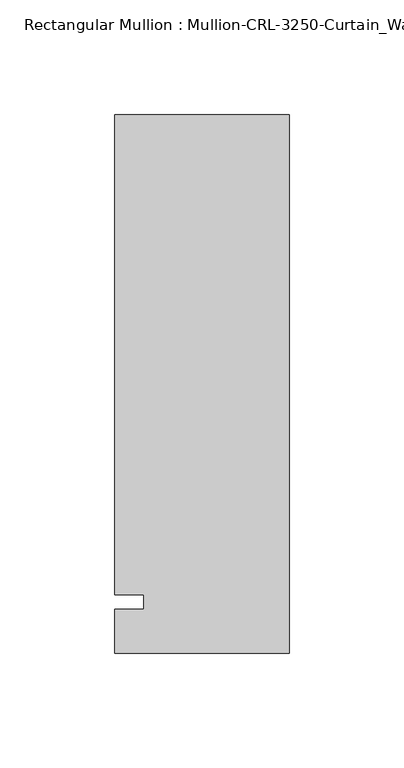
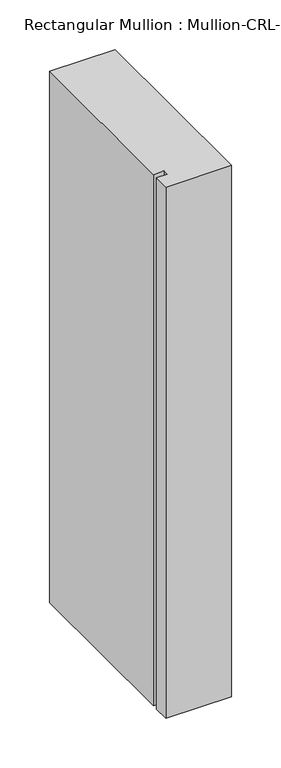
"""IFC4 building model written with IfcOpenShell, lengths in millimetres: member geometry."""

import ifcopenshell
import ifcopenshell.guid

model = None  # the IFC model being written
_history = None  # IfcOwnerHistory: only IFC2X3 demands one
_inside = {}  # id of a spatial element -> (the spatial element, [elements in it])
_under = {}  # id of a project, library or spatial element -> (it, [spatial elements below it])
_declared = {}  # id of a project -> (the project, [libraries it declares])
_typed = {}  # id of a type object -> (the type object, [elements of that type])
_made_of = {}  # id of a material, layer set ... -> (it, [elements and type objects made of it])


def new_model(schema):
    """Start an empty IFC model of exactly this schema.

    Asked for "IFC4X3", IfcOpenShell would pick the latest addendum, in which some entities
    have other attributes; the version numbers below select the first issue.
    IFC2X3 requires an IfcOwnerHistory on every rooted entity: one is made here for all.
    """
    global model, _history
    if schema == "IFC4X3":
        model = ifcopenshell.file(schema_version=(4, 3, 0, 0))
    else:
        model = ifcopenshell.file(schema=schema)
    _inside.clear()
    _under.clear()
    _declared.clear()
    _typed.clear()
    _made_of.clear()
    _history = None
    if model.schema == "IFC2X3":
        org = make("IfcOrganization", Name="unknown")
        user = make(
            "IfcPersonAndOrganization",
            ThePerson=make("IfcPerson", FamilyName="unknown"),
            TheOrganization=org,
        )
        app = make(
            "IfcApplication",
            ApplicationDeveloper=org,
            Version="unknown",
            ApplicationFullName="unknown",
            ApplicationIdentifier="unknown",
        )
        _history = make(
            "IfcOwnerHistory",
            OwningUser=user,
            OwningApplication=app,
            ChangeAction="ADDED",
            CreationDate=0,
        )
    return model


def make(cls, **values):
    """One entity of the class cls with the attributes given. An attribute that is None is left unset."""
    return model.create_entity(
        cls, **{name: value for name, value in values.items() if value is not None}
    )


def rooted(cls, **values):
    """An entity with a GlobalId (a new one), such as an element, a storey or a relation."""
    return make(cls, GlobalId=ifcopenshell.guid.new(), OwnerHistory=_history, **values)


def si_unit(unit_type, name, prefix=None):
    """IfcSIUnit, for example si_unit("LENGTHUNIT", "METRE", prefix="MILLI")."""
    return make("IfcSIUnit", UnitType=unit_type, Prefix=prefix, Name=name)


def assignment(units):
    """IfcUnitAssignment: the units of a project."""
    return None if units is None else make("IfcUnitAssignment", Units=units)


def point(xyz):
    """IfcCartesianPoint."""
    return None if xyz is None else make("IfcCartesianPoint", Coordinates=xyz)


def direction(xyz):
    """IfcDirection."""
    return None if xyz is None else make("IfcDirection", DirectionRatios=xyz)


def frame(location, z_axis=None, x_axis=None):
    """IfcAxis2Placement3D, a coordinate frame: its origin and axes. An axis left out is left unset."""
    return make(
        "IfcAxis2Placement3D",
        Location=point(location),
        Axis=direction(z_axis),
        RefDirection=direction(x_axis),
    )


def origin():
    """The frame at (0, 0, 0) with its axes left unset."""
    return frame((0.0, 0.0, 0.0))


def place(relative_to, where):
    """IfcLocalPlacement: puts the frame where relative to a parent placement (None: the world)."""
    return make(
        "IfcLocalPlacement", PlacementRelTo=relative_to, RelativePlacement=where
    )


def context(
    kind, dimensions, precision=None, world=None, true_north=None, identifier=None
):
    """IfcGeometricRepresentationContext, for example the 3D "Model" context."""
    return make(
        "IfcGeometricRepresentationContext",
        ContextIdentifier=identifier,
        ContextType=kind,
        CoordinateSpaceDimension=dimensions,
        Precision=precision,
        WorldCoordinateSystem=world,
        TrueNorth=true_north,
    )


def project(units=None, contexts=None):
    """IfcProject with its units and contexts."""
    return rooted(
        "IfcProject",
        Name="project",
        RepresentationContexts=contexts,
        UnitsInContext=assignment(units),
    )


def spatial(cls, under=None, at=None, **own):
    """A site, building, storey or space (cls), placed at a placement, below another one or the project."""
    s = rooted(cls, ObjectPlacement=at, **own)
    if under is not None:
        _under.setdefault(under.id(), (under, []))[1].append(s)
    return s


def polyline(points):
    """IfcPolyline through the points."""
    return make("IfcPolyline", Points=[point(p) for p in points])


def outline(outer, holes=None, kind="AREA"):
    """IfcArbitraryClosedProfileDef: a profile drawn as a closed curve; with holes, ...WithVoids."""
    if holes is None:
        return make("IfcArbitraryClosedProfileDef", ProfileType=kind, OuterCurve=outer)
    return make(
        "IfcArbitraryProfileDefWithVoids",
        ProfileType=kind,
        OuterCurve=outer,
        InnerCurves=holes,
    )


def extrude(swept, where, along, depth):
    """IfcExtrudedAreaSolid: the profile swept, set in the frame where, extruded along a direction by depth."""
    return make(
        "IfcExtrudedAreaSolid",
        SweptArea=swept,
        Position=where,
        ExtrudedDirection=direction(along),
        Depth=depth,
    )


def shape(context_of_items, identifier, shape_type, items):
    """IfcShapeRepresentation: the items that make up one representation, for example the "Body"."""
    return make(
        "IfcShapeRepresentation",
        ContextOfItems=context_of_items,
        RepresentationIdentifier=identifier,
        RepresentationType=shape_type,
        Items=items,
    )


def source(mapping_origin, context_of_items, identifier, shape_type, items):
    """IfcRepresentationMap: a shape defined once, which mapped items show again and again."""
    return make(
        "IfcRepresentationMap",
        MappingOrigin=mapping_origin,
        MappedRepresentation=shape(context_of_items, identifier, shape_type, items),
    )


def transform(
    local_origin,
    x_axis=None,
    y_axis=None,
    z_axis=None,
    scale=None,
    scale2=None,
    scale3=None,
    uniform=True,
):
    """IfcCartesianTransformationOperator3D, or its non-uniform kind. x_axis, y_axis, z_axis: its Axis1, 2, 3."""
    if uniform:
        return make(
            "IfcCartesianTransformationOperator3D",
            Axis1=direction(x_axis),
            Axis2=direction(y_axis),
            LocalOrigin=point(local_origin),
            Scale=scale,
            Axis3=direction(z_axis),
        )
    return make(
        "IfcCartesianTransformationOperator3DnonUniform",
        Axis1=direction(x_axis),
        Axis2=direction(y_axis),
        LocalOrigin=point(local_origin),
        Scale=scale,
        Axis3=direction(z_axis),
        Scale2=scale2,
        Scale3=scale3,
    )


def mapped(mapping_source, mapping_target):
    """IfcMappedItem: shows the shape of a source again, moved by a transform."""
    return make(
        "IfcMappedItem", MappingSource=mapping_source, MappingTarget=mapping_target
    )


def made_of(thing, what):
    """Note that an element or type object is made of a material, layer set ...; save() writes the relation."""
    if what is not None:
        _made_of.setdefault(what.id(), (what, []))[1].append(thing)
    return thing


def element(
    cls,
    number,
    at=None,
    inside=None,
    cuts=None,
    type_object=None,
    material=None,
    context=None,
    identifier="Body",
    shape_type=None,
    held_by="IfcProductDefinitionShape",
    body=None,
    shapes=None,
    **own,
):
    """One element of the class cls, such as IfcWall. Its Tag is "e" and its number.

    at: its placement. inside: the storey or other place that contains it. cuts: it is an
    opening in that element (IfcRelVoidsElement). A single representation is given by context,
    identifier, shape_type and body (its items); several are given by shapes. held_by: the class
    of the entity that holds the representations. save() writes the other relations.
    """
    e = rooted(cls, Tag="e%d" % number, ObjectPlacement=at, **own)
    if body is not None:
        shapes = [shape(context, identifier, shape_type, body)]
    if shapes is not None:
        e.Representation = make(held_by, Representations=shapes)
    if inside is not None:
        _inside.setdefault(inside.id(), (inside, []))[1].append(e)
    if cuts is not None:
        rooted(
            "IfcRelVoidsElement", RelatingBuildingElement=cuts, RelatedOpeningElement=e
        )
    if type_object is not None:
        _typed.setdefault(type_object.id(), (type_object, []))[1].append(e)
    return made_of(e, material)


def aggregate(whole, parts):
    """IfcRelAggregates: a whole, such as a stair, and the parts it consists of."""
    return rooted("IfcRelAggregates", RelatingObject=whole, RelatedObjects=parts)


def save(model, path):
    """Write the relations noted so far, then the file.

    IfcRelAggregates (storeys below a building ...), IfcRelContainedInSpatialStructure (elements
    in a storey), IfcRelDefinesByType, IfcRelAssociatesMaterial and IfcRelDeclares: one each for
    every whole, place, type object, material and project.
    """
    for whole, parts in _under.values():
        aggregate(whole, parts)
    for where, things in _inside.values():
        rooted(
            "IfcRelContainedInSpatialStructure",
            RelatedElements=things,
            RelatingStructure=where,
        )
    for kind, things in _typed.values():
        rooted("IfcRelDefinesByType", RelatedObjects=things, RelatingType=kind)
    for what, things in _made_of.values():
        rooted("IfcRelAssociatesMaterial", RelatedObjects=things, RelatingMaterial=what)
    for by, libraries in _declared.values():
        rooted("IfcRelDeclares", RelatingContext=by, RelatedDefinitions=libraries)
    model.write(path)


def member_3a9c5ca4(model_context):
    return source(origin(), model_context, "Body", "SweptSolid", [
        extrude(outline(polyline([(0.0, -22.2254168), (-76.199997, -22.2254168), (-76.199997, -3.175), (-63.499997, -3.175), (-63.499997, 3.175), (-76.199997, 3.175), (-76.199997, 212.7246139), (0.0, 212.7246139), (0.0, -22.2254168)])), frame((0.0, 0.0, -653.8666746), z_axis=(0.0, 0.0, 1.0), x_axis=(1.0, 0.0, 0.0)), (0.0, 0.0, 1.0), 653.8666746),
    ])


if __name__ == "__main__":
    model = new_model("IFC4")
    model_context = context("Model", 3, world=origin())
    ifc_project = project(units=[si_unit("LENGTHUNIT", "METRE", prefix="MILLI")], contexts=[model_context])
    site = spatial("IfcSite", under=ifc_project)
    building = spatial("IfcBuilding", under=site)
    placement = place(None, origin())
    member_shape = member_3a9c5ca4(model_context)
    element("IfcMember", 1, ObjectType="Rectangular Mullion : Mullion-CRL-3250-Curtain_Wall-Head-8\"", at=placement, inside=building, context=model_context, shape_type="MappedRepresentation", body=[
        mapped(member_shape, transform((0.0, 0.0, 0.0), x_axis=(1.0, 0.0, 0.0), y_axis=(0.0, 1.0, 0.0), z_axis=(0.0, 0.0, 1.0))),
    ])
    save(model, "model.ifc")
